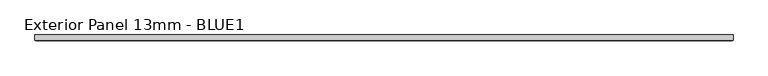
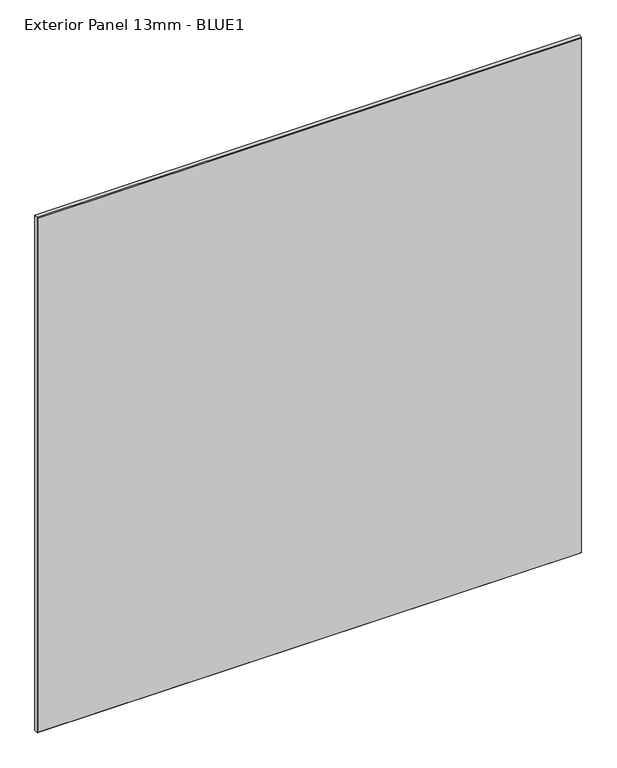
"""IFC4 building model written with IfcOpenShell, lengths in millimetres: proxy geometry, Exterior Panel 13mm - BLUE1."""

from ifc_helpers import new_model, si_unit, origin, place, context, project, spatial, faceted_brep, source, transform, mapped, element, save


def exterior_panel_13mm_blue1_c25829f9(model_context):
    return source(origin(), model_context, "Body", "Brep", [
        faceted_brep([(1065.2125, 6.35, 1524.0), (-457.2, 6.35, 1524.0), (-457.2, -4.7625, 1524.0), (1065.2125, -4.7625, 1524.0), (1065.2125, 6.35, 0.0), (1065.2125, -4.7625, 0.0), (-457.2, -4.7625, 0.0), (-457.2, 6.35, 0.0), (-455.6125, -6.35, 1522.4125), (-455.6125, -6.35, 1.5875), (1063.625, -6.35, 1.5875), (1063.625, -6.35, 1522.4125)], [[[0, 1, 2, 3]], [[4, 5, 6, 7]], [[1, 0, 4, 7]], [[2, 1, 7, 6]], [[8, 9, 10, 11]], [[0, 3, 5, 4]], [[2, 6, 9, 8]], [[5, 3, 11, 10]], [[3, 2, 8, 11]], [[6, 5, 10, 9]]]),
    ])


if __name__ == "__main__":
    model = new_model("IFC4")
    model_context = context("Model", 3, world=origin())
    ifc_project = project(units=[si_unit("LENGTHUNIT", "METRE", prefix="MILLI")], contexts=[model_context])
    site = spatial("IfcSite", under=ifc_project)
    building = spatial("IfcBuilding", under=site)
    placement = place(None, origin())
    exterior_panel_13mm_blue1_shape = exterior_panel_13mm_blue1_c25829f9(model_context)
    element("IfcBuildingElementProxy", 1, Name="Exterior Panel 13mm - BLUE1", ObjectType="Exterior Panel 13mm - BLUE1", at=placement, inside=building, context=model_context, shape_type="MappedRepresentation", body=[
        mapped(exterior_panel_13mm_blue1_shape, transform((0.0, 0.0, 0.0), x_axis=(1.0, 0.0, 0.0), y_axis=(0.0, 1.0, 0.0), z_axis=(0.0, 0.0, 1.0))),
    ])
    save(model, "model.ifc")
